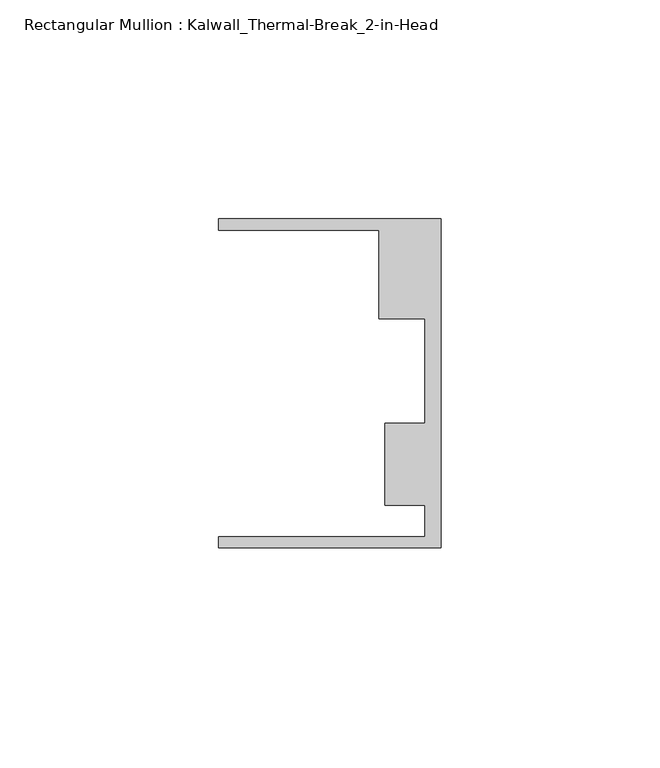
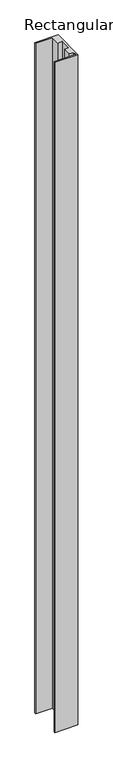
"""IFC4 building model written with IfcOpenShell, lengths in millimetres: member geometry, Rectangular Mullion : Kalwall_Thermal-Break_2-in-Head."""

from ifc_helpers import new_model, si_unit, frame, origin, place, context, project, spatial, polyline, outline, extrude, source, transform, mapped, element, save


def rectangular_mullion_kalwall_thermal_break_2_in_head_5a757b91(model_context):
    return source(origin(), model_context, "Body", "SweptSolid", [
        extrude(outline(polyline([(0.0, -37.5776386), (-50.8, -37.5776386), (-50.8, -35.0376386), (-3.7084, -35.0376386), (-3.7084, -27.8888568), (-12.8272539, -27.8888568), (-12.8272539, -9.1879886), (-3.7084, -9.1879886), (-3.7084, 14.7439614), (-14.1732, 14.7439614), (-14.1732, 34.9623614), (-50.8, 34.9623614), (-50.8, 37.5023614), (0.0, 37.5023614), (0.0, -37.5776386)])), frame((0.0, 0.0, -1553.0068), z_axis=(0.0, 0.0, 1.0), x_axis=(1.0, 0.0, 0.0)), (0.0, 0.0, 1.0), 1553.0068),
    ])


if __name__ == "__main__":
    model = new_model("IFC4")
    model_context = context("Model", 3, world=origin())
    ifc_project = project(units=[si_unit("LENGTHUNIT", "METRE", prefix="MILLI")], contexts=[model_context])
    site = spatial("IfcSite", under=ifc_project)
    building = spatial("IfcBuilding", under=site)
    placement = place(None, origin())
    rectangular_mullion_kalwall_thermal_break_2_in_head_shape = rectangular_mullion_kalwall_thermal_break_2_in_head_5a757b91(model_context)
    element("IfcMember", 1, ObjectType="Rectangular Mullion : Kalwall_Thermal-Break_2-in-Head", at=placement, inside=building, context=model_context, shape_type="MappedRepresentation", body=[
        mapped(rectangular_mullion_kalwall_thermal_break_2_in_head_shape, transform((0.0, 0.0, 0.0), x_axis=(1.0, 0.0, 0.0), y_axis=(0.0, 1.0, 0.0), z_axis=(0.0, 0.0, 1.0))),
    ])
    save(model, "model.ifc")
